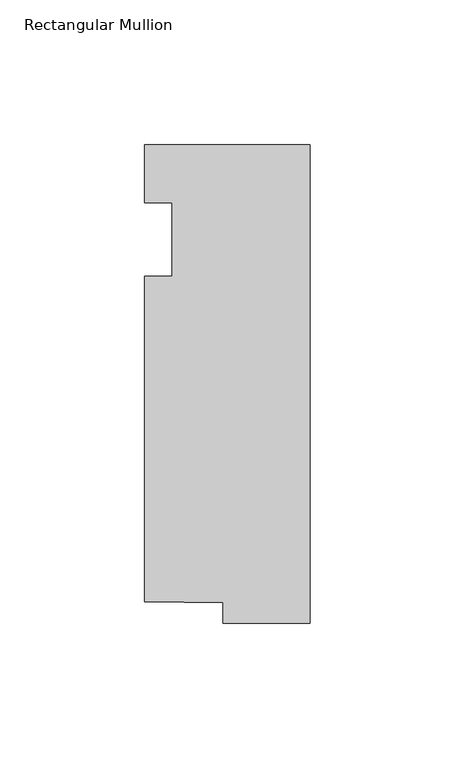
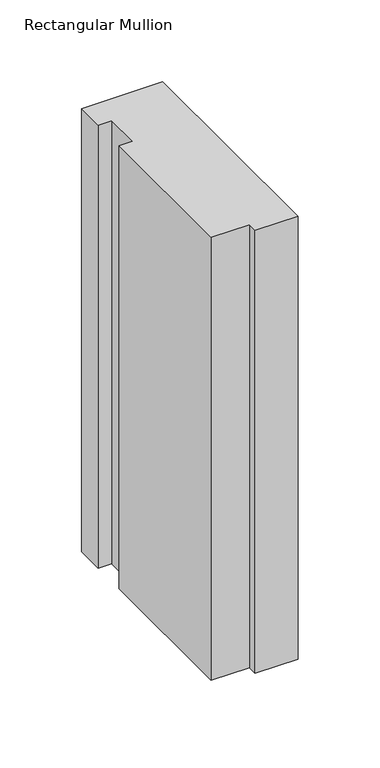
"""IFC4 building model written with IfcOpenShell, lengths in millimetres: member geometry, Rectangular Mullion."""

import ifcopenshell
import ifcopenshell.guid

model = None  # the IFC model being written
_history = None  # IfcOwnerHistory: only IFC2X3 demands one
_inside = {}  # id of a spatial element -> (the spatial element, [elements in it])
_under = {}  # id of a project, library or spatial element -> (it, [spatial elements below it])
_declared = {}  # id of a project -> (the project, [libraries it declares])
_typed = {}  # id of a type object -> (the type object, [elements of that type])
_made_of = {}  # id of a material, layer set ... -> (it, [elements and type objects made of it])


def new_model(schema):
    """Start an empty IFC model of exactly this schema.

    Asked for "IFC4X3", IfcOpenShell would pick the latest addendum, in which some entities
    have other attributes; the version numbers below select the first issue.
    IFC2X3 requires an IfcOwnerHistory on every rooted entity: one is made here for all.
    """
    global model, _history
    if schema == "IFC4X3":
        model = ifcopenshell.file(schema_version=(4, 3, 0, 0))
    else:
        model = ifcopenshell.file(schema=schema)
    _inside.clear()
    _under.clear()
    _declared.clear()
    _typed.clear()
    _made_of.clear()
    _history = None
    if model.schema == "IFC2X3":
        org = make("IfcOrganization", Name="unknown")
        user = make(
            "IfcPersonAndOrganization",
            ThePerson=make("IfcPerson", FamilyName="unknown"),
            TheOrganization=org,
        )
        app = make(
            "IfcApplication",
            ApplicationDeveloper=org,
            Version="unknown",
            ApplicationFullName="unknown",
            ApplicationIdentifier="unknown",
        )
        _history = make(
            "IfcOwnerHistory",
            OwningUser=user,
            OwningApplication=app,
            ChangeAction="ADDED",
            CreationDate=0,
        )
    return model


def make(cls, **values):
    """One entity of the class cls with the attributes given. An attribute that is None is left unset."""
    return model.create_entity(
        cls, **{name: value for name, value in values.items() if value is not None}
    )


def rooted(cls, **values):
    """An entity with a GlobalId (a new one), such as an element, a storey or a relation."""
    return make(cls, GlobalId=ifcopenshell.guid.new(), OwnerHistory=_history, **values)


def si_unit(unit_type, name, prefix=None):
    """IfcSIUnit, for example si_unit("LENGTHUNIT", "METRE", prefix="MILLI")."""
    return make("IfcSIUnit", UnitType=unit_type, Prefix=prefix, Name=name)


def assignment(units):
    """IfcUnitAssignment: the units of a project."""
    return None if units is None else make("IfcUnitAssignment", Units=units)


def point(xyz):
    """IfcCartesianPoint."""
    return None if xyz is None else make("IfcCartesianPoint", Coordinates=xyz)


def direction(xyz):
    """IfcDirection."""
    return None if xyz is None else make("IfcDirection", DirectionRatios=xyz)


def frame(location, z_axis=None, x_axis=None):
    """IfcAxis2Placement3D, a coordinate frame: its origin and axes. An axis left out is left unset."""
    return make(
        "IfcAxis2Placement3D",
        Location=point(location),
        Axis=direction(z_axis),
        RefDirection=direction(x_axis),
    )


def origin():
    """The frame at (0, 0, 0) with its axes left unset."""
    return frame((0.0, 0.0, 0.0))


def place(relative_to, where):
    """IfcLocalPlacement: puts the frame where relative to a parent placement (None: the world)."""
    return make(
        "IfcLocalPlacement", PlacementRelTo=relative_to, RelativePlacement=where
    )


def context(
    kind, dimensions, precision=None, world=None, true_north=None, identifier=None
):
    """IfcGeometricRepresentationContext, for example the 3D "Model" context."""
    return make(
        "IfcGeometricRepresentationContext",
        ContextIdentifier=identifier,
        ContextType=kind,
        CoordinateSpaceDimension=dimensions,
        Precision=precision,
        WorldCoordinateSystem=world,
        TrueNorth=true_north,
    )


def project(units=None, contexts=None):
    """IfcProject with its units and contexts."""
    return rooted(
        "IfcProject",
        Name="project",
        RepresentationContexts=contexts,
        UnitsInContext=assignment(units),
    )


def spatial(cls, under=None, at=None, **own):
    """A site, building, storey or space (cls), placed at a placement, below another one or the project."""
    s = rooted(cls, ObjectPlacement=at, **own)
    if under is not None:
        _under.setdefault(under.id(), (under, []))[1].append(s)
    return s


def polyline(points):
    """IfcPolyline through the points."""
    return make("IfcPolyline", Points=[point(p) for p in points])


def outline(outer, holes=None, kind="AREA"):
    """IfcArbitraryClosedProfileDef: a profile drawn as a closed curve; with holes, ...WithVoids."""
    if holes is None:
        return make("IfcArbitraryClosedProfileDef", ProfileType=kind, OuterCurve=outer)
    return make(
        "IfcArbitraryProfileDefWithVoids",
        ProfileType=kind,
        OuterCurve=outer,
        InnerCurves=holes,
    )


def extrude(swept, where, along, depth):
    """IfcExtrudedAreaSolid: the profile swept, set in the frame where, extruded along a direction by depth."""
    return make(
        "IfcExtrudedAreaSolid",
        SweptArea=swept,
        Position=where,
        ExtrudedDirection=direction(along),
        Depth=depth,
    )


def shape(context_of_items, identifier, shape_type, items):
    """IfcShapeRepresentation: the items that make up one representation, for example the "Body"."""
    return make(
        "IfcShapeRepresentation",
        ContextOfItems=context_of_items,
        RepresentationIdentifier=identifier,
        RepresentationType=shape_type,
        Items=items,
    )


def source(mapping_origin, context_of_items, identifier, shape_type, items):
    """IfcRepresentationMap: a shape defined once, which mapped items show again and again."""
    return make(
        "IfcRepresentationMap",
        MappingOrigin=mapping_origin,
        MappedRepresentation=shape(context_of_items, identifier, shape_type, items),
    )


def transform(
    local_origin,
    x_axis=None,
    y_axis=None,
    z_axis=None,
    scale=None,
    scale2=None,
    scale3=None,
    uniform=True,
):
    """IfcCartesianTransformationOperator3D, or its non-uniform kind. x_axis, y_axis, z_axis: its Axis1, 2, 3."""
    if uniform:
        return make(
            "IfcCartesianTransformationOperator3D",
            Axis1=direction(x_axis),
            Axis2=direction(y_axis),
            LocalOrigin=point(local_origin),
            Scale=scale,
            Axis3=direction(z_axis),
        )
    return make(
        "IfcCartesianTransformationOperator3DnonUniform",
        Axis1=direction(x_axis),
        Axis2=direction(y_axis),
        LocalOrigin=point(local_origin),
        Scale=scale,
        Axis3=direction(z_axis),
        Scale2=scale2,
        Scale3=scale3,
    )


def mapped(mapping_source, mapping_target):
    """IfcMappedItem: shows the shape of a source again, moved by a transform."""
    return make(
        "IfcMappedItem", MappingSource=mapping_source, MappingTarget=mapping_target
    )


def made_of(thing, what):
    """Note that an element or type object is made of a material, layer set ...; save() writes the relation."""
    if what is not None:
        _made_of.setdefault(what.id(), (what, []))[1].append(thing)
    return thing


def element(
    cls,
    number,
    at=None,
    inside=None,
    cuts=None,
    type_object=None,
    material=None,
    context=None,
    identifier="Body",
    shape_type=None,
    held_by="IfcProductDefinitionShape",
    body=None,
    shapes=None,
    **own,
):
    """One element of the class cls, such as IfcWall. Its Tag is "e" and its number.

    at: its placement. inside: the storey or other place that contains it. cuts: it is an
    opening in that element (IfcRelVoidsElement). A single representation is given by context,
    identifier, shape_type and body (its items); several are given by shapes. held_by: the class
    of the entity that holds the representations. save() writes the other relations.
    """
    e = rooted(cls, Tag="e%d" % number, ObjectPlacement=at, **own)
    if body is not None:
        shapes = [shape(context, identifier, shape_type, body)]
    if shapes is not None:
        e.Representation = make(held_by, Representations=shapes)
    if inside is not None:
        _inside.setdefault(inside.id(), (inside, []))[1].append(e)
    if cuts is not None:
        rooted(
            "IfcRelVoidsElement", RelatingBuildingElement=cuts, RelatedOpeningElement=e
        )
    if type_object is not None:
        _typed.setdefault(type_object.id(), (type_object, []))[1].append(e)
    return made_of(e, material)


def aggregate(whole, parts):
    """IfcRelAggregates: a whole, such as a stair, and the parts it consists of."""
    return rooted("IfcRelAggregates", RelatingObject=whole, RelatedObjects=parts)


def save(model, path):
    """Write the relations noted so far, then the file.

    IfcRelAggregates (storeys below a building ...), IfcRelContainedInSpatialStructure (elements
    in a storey), IfcRelDefinesByType, IfcRelAssociatesMaterial and IfcRelDeclares: one each for
    every whole, place, type object, material and project.
    """
    for whole, parts in _under.values():
        aggregate(whole, parts)
    for where, things in _inside.values():
        rooted(
            "IfcRelContainedInSpatialStructure",
            RelatedElements=things,
            RelatingStructure=where,
        )
    for kind, things in _typed.values():
        rooted("IfcRelDefinesByType", RelatedObjects=things, RelatingType=kind)
    for what, things in _made_of.values():
        rooted("IfcRelAssociatesMaterial", RelatedObjects=things, RelatingMaterial=what)
    for by, libraries in _declared.values():
        rooted("IfcRelDeclares", RelatingContext=by, RelatedDefinitions=libraries)
    model.write(path)


def rectangular_mullion_7ef159f6(model_context):
    return source(origin(), model_context, "Body", "SweptSolid", [
        extrude(outline(polyline([(-57.15, 20.0421875), (0.0, 20.0421875), (0.0, -145.0578125), (-30.0959106, -145.0578125), (-30.0959106, -138.1373866), (-57.15, -137.7430215), (-57.15, -25.4), (-47.625, -25.4), (-47.625, 0.0), (-57.15, 0.0), (-57.15, 20.0421875)])), frame((0.0, 0.0, -330.2), z_axis=(0.0, 0.0, 1.0), x_axis=(1.0, 0.0, 0.0)), (0.0, 0.0, 1.0), 330.2),
    ])


if __name__ == "__main__":
    model = new_model("IFC4")
    model_context = context("Model", 3, world=origin())
    ifc_project = project(units=[si_unit("LENGTHUNIT", "METRE", prefix="MILLI")], contexts=[model_context])
    site = spatial("IfcSite", under=ifc_project)
    building = spatial("IfcBuilding", under=site)
    placement = place(None, origin())
    rectangular_mullion_shape = rectangular_mullion_7ef159f6(model_context)
    element("IfcMember", 1, ObjectType="Rectangular Mullion", at=placement, inside=building, context=model_context, shape_type="MappedRepresentation", body=[
        mapped(rectangular_mullion_shape, transform((0.0, 0.0, 0.0), x_axis=(1.0, 0.0, 0.0), y_axis=(0.0, 1.0, 0.0), z_axis=(0.0, 0.0, 1.0))),
    ])
    save(model, "model.ifc")
